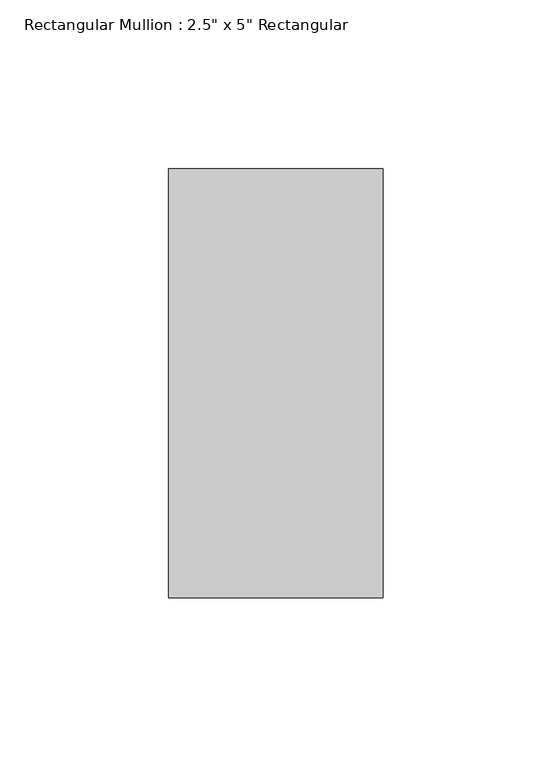
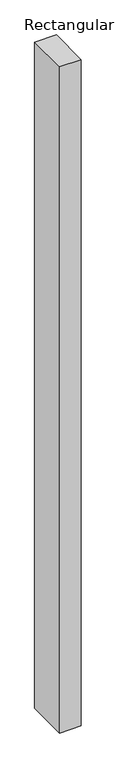
"""IFC4 building model written with IfcOpenShell, lengths in millimetres: member geometry."""

from ifc_helpers import new_model, si_unit, frame, origin, place, context, project, spatial, polyline, outline, extrude, source, transform, mapped, element, save


def member_4f1c84db(model_context):
    return source(origin(), model_context, "Body", "SweptSolid", [
        extrude(outline(polyline([(31.75, 63.5), (31.75, -63.5), (-31.75, -63.5), (-31.75, 63.5), (31.75, 63.5)])), frame((0.0, 0.0, -2070.1), z_axis=(0.0, 0.0, 1.0), x_axis=(1.0, 0.0, 0.0)), (0.0, 0.0, 1.0), 2070.1),
    ])


if __name__ == "__main__":
    model = new_model("IFC4")
    model_context = context("Model", 3, world=origin())
    ifc_project = project(units=[si_unit("LENGTHUNIT", "METRE", prefix="MILLI")], contexts=[model_context])
    site = spatial("IfcSite", under=ifc_project)
    building = spatial("IfcBuilding", under=site)
    placement = place(None, origin())
    member_shape = member_4f1c84db(model_context)
    element("IfcMember", 1, ObjectType="Rectangular Mullion : 2.5\" x 5\" Rectangular", at=placement, inside=building, context=model_context, shape_type="MappedRepresentation", body=[
        mapped(member_shape, transform((0.0, 0.0, 0.0), x_axis=(1.0, 0.0, 0.0), y_axis=(0.0, 1.0, 0.0), z_axis=(0.0, 0.0, 1.0))),
    ])
    save(model, "model.ifc")
